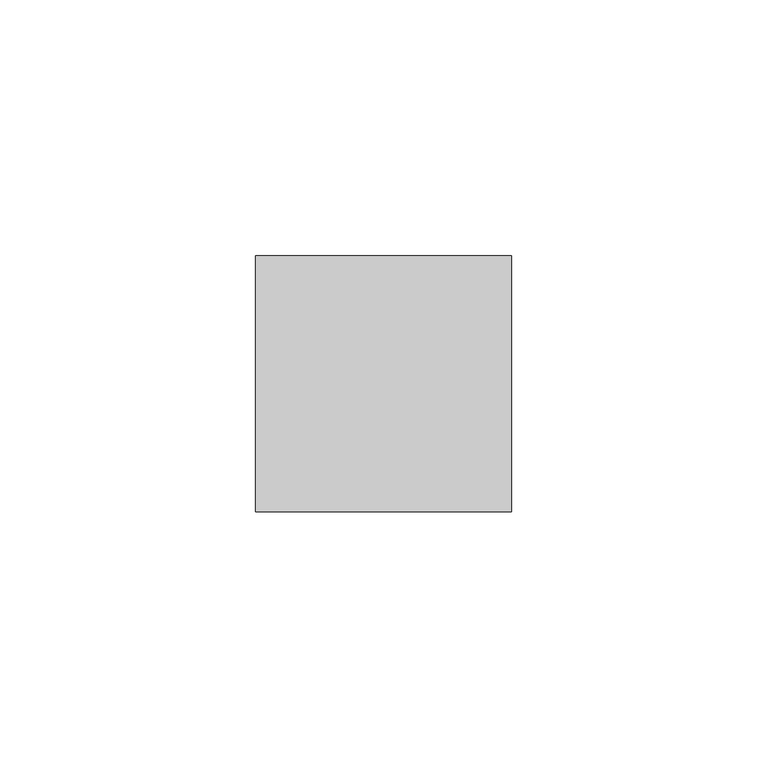
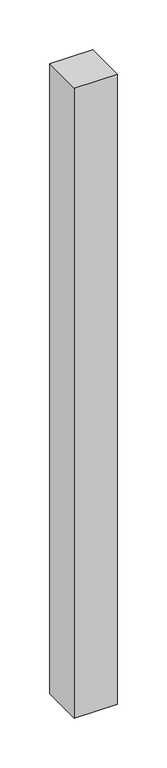
"""IFC4 building model written with IfcOpenShell, lengths in millimetres: member geometry."""

from ifc_helpers import new_model, si_unit, frame, origin, place, context, project, spatial, polyline, outline, extrude, source, transform, mapped, element, save


def member_49b53701(model_context):
    return source(origin(), model_context, "Body", "SweptSolid", [
        extrude(outline(polyline([(25.0, 25.0), (25.0, -25.0), (-25.0, -25.0), (-25.0, 25.0), (25.0, 25.0)])), frame((0.0, 0.0, -775.0), z_axis=(0.0, 0.0, 1.0), x_axis=(1.0, 0.0, 0.0)), (0.0, 0.0, 1.0), 775.0),
    ])


if __name__ == "__main__":
    model = new_model("IFC4")
    model_context = context("Model", 3, world=origin())
    ifc_project = project(units=[si_unit("LENGTHUNIT", "METRE", prefix="MILLI")], contexts=[model_context])
    site = spatial("IfcSite", under=ifc_project)
    building = spatial("IfcBuilding", under=site)
    placement = place(None, origin())
    member_shape = member_49b53701(model_context)
    element("IfcMember", 1, at=placement, inside=building, context=model_context, shape_type="MappedRepresentation", body=[
        mapped(member_shape, transform((0.0, 0.0, 0.0), x_axis=(1.0, 0.0, 0.0), y_axis=(0.0, 1.0, 0.0), z_axis=(0.0, 0.0, 1.0))),
    ])
    save(model, "model.ifc")
